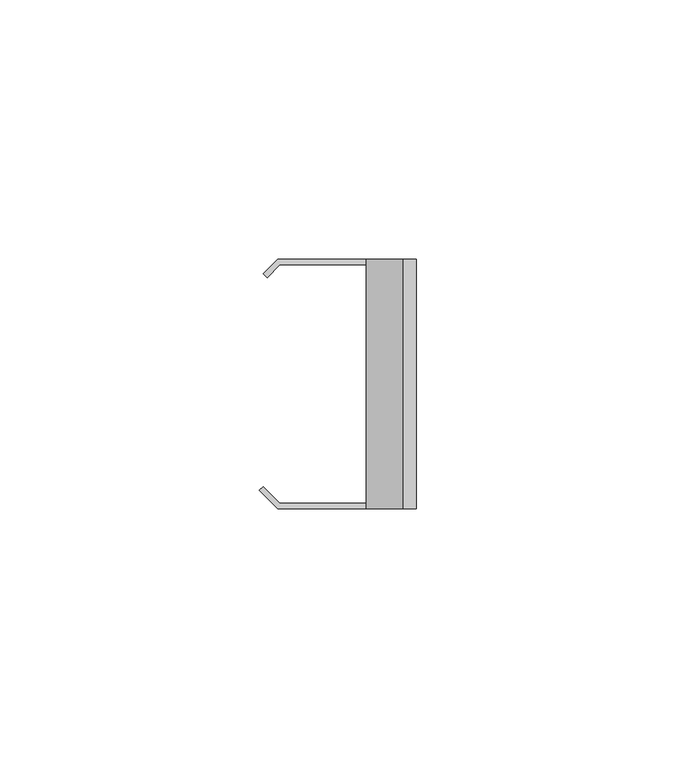
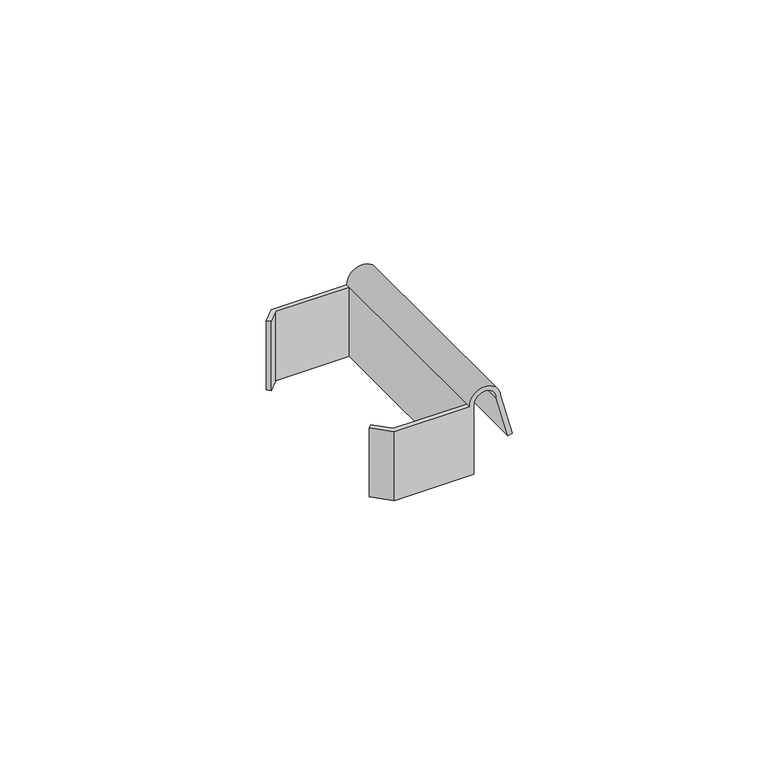
"""IFC4 building model written with IfcOpenShell, lengths in millimetres: proxy geometry."""

from ifc_helpers import new_model, si_unit, frame, origin, place, context, project, spatial, polyline, circle_curve, source, transform, mapped, element, save
from ifc_brep_helpers import plane_surface, cylinder_surface, revolved_surface, advanced_brep


def generic_models_6845ad2d(model_context):
    return source(origin(), model_context, "Body", "AdvancedBrep", [
        advanced_brep(
        [(15.339069, 24.0, 16.5), (17.937146, 24.0, 6.8038449), (16.9712201, 24.0, 6.5450259), (14.3361734, 24.0, 16.3791543), (9.2928932, 24.0, 16.5), (9.2928932, 24.0, 0.0), (-8.7071068, 24.0, 0.0), (-8.7071068, 24.0, 16.5), (8.2928932, 24.0, 16.5), (15.339069, -24.0, 16.5), (8.2928932, -24.0, 16.5), (-8.7071068, -24.0, 16.5), (-8.7071068, -24.0, 0.0), (9.2928932, -24.0, 0.0), (9.2928932, -24.0, 16.5), (14.3361734, -24.0, 16.3791543), (16.9712201, -24.0, 6.5450259), (17.937146, -24.0, 6.8038449), (8.2928932, 23.0, 16.5), (8.2928932, -23.0, 16.5), (-11.4907821, 21.2163247, 16.5), (-10.7836753, 20.5092179, 16.5), (-8.2928932, 23.0, 16.5), (-8.2928932, -23.0, 16.5), (-11.5355339, -19.7573593, 16.5), (-12.2426407, -20.4644661, 16.5), (-12.2426407, -20.4644661, 0.0), (-11.5355339, -19.7573593, 0.0), (-8.2928932, -23.0, 0.0), (8.2928932, -23.0, 0.0), (8.2928932, 23.0, 0.0), (-8.2928932, 23.0, 0.0), (-10.7836753, 20.5092179, 0.0), (-11.4907821, 21.2163247, 0.0)],
        [
            (0, 1),
            (1, 2),
            (2, 3),
            (3, 4, circle_curve(frame((11.8159811, 24.0, 16.5), z_axis=(0.0, -1.0, 0.0), x_axis=(1.0, 0.0, 0.0)), 2.5230879)),
            (4, 5),
            (5, 6),
            (6, 7),
            (7, 8),
            (8, 0, circle_curve(frame((11.8159811, 24.0, 16.5), z_axis=(0.0, 1.0, 0.0), x_axis=(1.0, 0.0, 0.0)), 3.5230879)),
            (9, 10, circle_curve(frame((11.8159811, -24.0, 16.5), z_axis=(0.0, -1.0, 0.0), x_axis=(1.0, 0.0, 0.0)), 3.5230879)),
            (10, 11),
            (11, 12),
            (12, 13),
            (13, 14),
            (14, 15, circle_curve(frame((11.8159811, -24.0, 16.5), z_axis=(0.0, 1.0, 0.0), x_axis=(1.0, 0.0, 0.0)), 2.5230879)),
            (15, 16),
            (16, 17),
            (17, 9),
            (8, 18),
            (18, 19),
            (19, 10),
            (9, 0),
            (3, 15),
            (14, 4),
            (2, 16),
            (1, 17),
            (7, 20),
            (20, 21),
            (21, 22),
            (22, 18),
            (19, 23),
            (23, 24),
            (24, 25),
            (25, 11),
            (5, 13),
            (12, 26),
            (26, 27),
            (27, 28),
            (28, 29),
            (29, 30),
            (30, 31),
            (31, 32),
            (32, 33),
            (33, 6),
            (25, 26),
            (24, 27),
            (23, 28),
            (19, 29),
            (18, 30),
            (22, 31),
            (21, 32),
            (20, 33),
        ],
        [
            plane_surface(frame((15.339069, 24.0, 16.5), z_axis=(0.0, 1.0000000000000002, 0.0), x_axis=(0.2588190451025184, 0.0, -0.9659258262890691))),
            plane_surface(frame((15.339069, -24.0, 16.5), z_axis=(0.0, -1.0000000000000002, 0.0), x_axis=(-0.2588190451025184, 0.0, 0.9659258262890691))),
            cylinder_surface(frame((11.8159811, -24.0, 16.5), z_axis=(0.0, 1.0, 0.0), x_axis=(1.0, 0.0, 0.0)), 3.5230879),
            revolved_surface(polyline([(14.339069, -24.0, 16.5), (14.339069, 24.0, 16.5)]), (11.8159811, -24.0, 16.5), (0.0, -1.0, 0.0)),
            plane_surface(frame((16.9712201, 24.0, 6.5450259), z_axis=(-0.9659258262890689, 0.0, -0.2588190451025188), x_axis=(0.0, -1.0, 0.0))),
            plane_surface(frame((17.937146, 24.0, 6.8038449), z_axis=(0.25881904510251613, 0.0, -0.9659258262890695), x_axis=(0.0, -1.0, 0.0))),
            plane_surface(frame((15.339069, 24.0, 16.5), z_axis=(0.9659258262890691, 0.0, 0.2588190451025184), x_axis=(0.0, -1.0, 0.0))),
            plane_surface(frame((9.2928932, 24.0, 16.5), z_axis=(0.0, 0.0, 1.0), x_axis=(-1.0, 0.0, 0.0))),
            plane_surface(frame((9.2928932, 24.0, 0.0), z_axis=(0.0, 0.0, -1.0), x_axis=(1.0, 0.0, 0.0))),
            plane_surface(frame((9.2928932, -24.0, 16.5), z_axis=(1.0, 0.0, 0.0), x_axis=(0.0, 0.0, -1.0))),
            plane_surface(frame((-12.2426407, -20.4644661, 16.5), z_axis=(-0.7071067811865467, -0.7071067811865483, 0.0), x_axis=(0.0, 0.0, -1.0))),
            plane_surface(frame((-11.5355339, -19.7573593, 16.5), z_axis=(-0.7071067811865476, 0.7071067811865476, 0.0), x_axis=(0.0, 0.0, -1.0))),
            plane_surface(frame((-8.2928932, -23.0, 16.5), z_axis=(0.7071067811865461, 0.7071067811865489, 0.0), x_axis=(0.0, 0.0, -1.0))),
            plane_surface(frame((8.2928932, -23.0, 16.5), z_axis=(0.0, 1.0, 0.0), x_axis=(0.0, 0.0, -1.0))),
            plane_surface(frame((8.2928932, 23.0, 16.5), z_axis=(-1.0, 0.0, 0.0), x_axis=(0.0, 0.0, -1.0))),
            plane_surface(frame((-8.2928932, 23.0, 16.5), z_axis=(0.0, -1.0, 0.0), x_axis=(0.0, 0.0, -1.0))),
            plane_surface(frame((-10.7836753, 20.5092179, 16.5), z_axis=(0.7071067811865465, -0.7071067811865486, 0.0), x_axis=(0.0, 0.0, -1.0))),
            plane_surface(frame((-11.4907821, 21.2163247, 16.5), z_axis=(-0.7071067811865476, -0.7071067811865476, 0.0), x_axis=(0.0, 0.0, -1.0))),
            plane_surface(frame((-8.7071068, 24.0, 16.5), z_axis=(-0.707106781186547, 0.707106781186548, 0.0), x_axis=(0.0, 0.0, -1.0))),
        ],
        [
            (0, [[1, 2, 3, 4, 5, 6, 7, 8, 9]]),
            (1, [[10, 11, 12, 13, 14, 15, 16, 17, 18]]),
            (2, [[-9, 19, 20, 21, -10, 22]]),
            (3, [[-4, 23, -15, 24]]),
            (4, [[-3, 25, -16, -23]]),
            (5, [[-2, 26, -17, -25]]),
            (6, [[-1, -22, -18, -26]]),
            (7, [[27, 28, 29, 30, -19, -8]]),
            (7, [[31, 32, 33, 34, -11, -21]]),
            (8, [[35, -13, 36, 37, 38, 39, 40, 41, 42, 43, 44, -6]]),
            (9, [[-35, -5, -24, -14]]),
            (10, [[-34, 45, -36, -12]]),
            (11, [[-33, 46, -37, -45]]),
            (12, [[-32, 47, -38, -46]]),
            (13, [[-31, 48, -39, -47]]),
            (14, [[-40, -48, -20, 49]]),
            (15, [[-30, 50, -41, -49]]),
            (16, [[-29, 51, -42, -50]]),
            (17, [[-28, 52, -43, -51]]),
            (18, [[-27, -7, -44, -52]]),
        ],
    ),
    ])


if __name__ == "__main__":
    model = new_model("IFC4")
    model_context = context("Model", 3, world=origin())
    ifc_project = project(units=[si_unit("LENGTHUNIT", "METRE", prefix="MILLI")], contexts=[model_context])
    site = spatial("IfcSite", under=ifc_project)
    building = spatial("IfcBuilding", under=site)
    placement = place(None, origin())
    generic_models_shape = generic_models_6845ad2d(model_context)
    element("IfcBuildingElementProxy", 1, Name="Generic Models", at=placement, inside=building, context=model_context, shape_type="MappedRepresentation", body=[
        mapped(generic_models_shape, transform((0.0, 0.0, 0.0), x_axis=(1.0, 0.0, 0.0), y_axis=(0.0, 1.0, 0.0), z_axis=(0.0, 0.0, 1.0))),
    ])
    save(model, "model.ifc")
